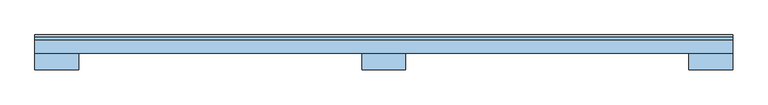
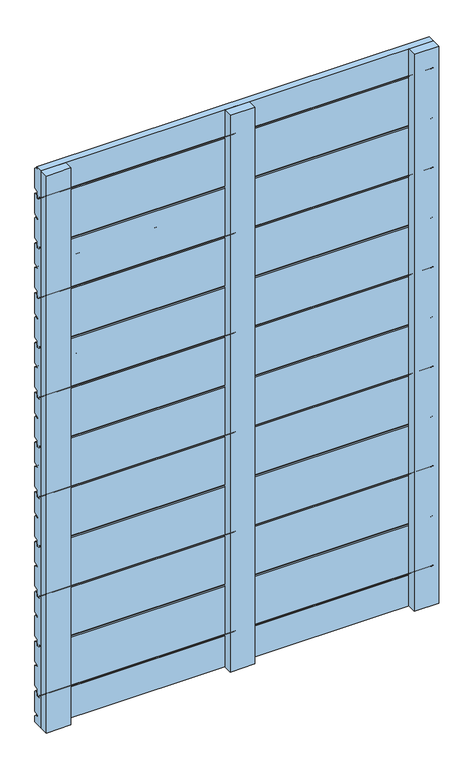
"""IFC4 building model written with IfcOpenShell, lengths in millimetres: window geometry."""

from ifc_helpers import new_model, si_unit, point, frame, frame_2d, origin, place, context, project, spatial, polyline, circle_curve, trimmed, segment, composite_curve, outline, extrude, source, transform, mapped, element, save


def window_a9d90691(model_context):
    return source(origin(), model_context, "Body", "SweptSolid", [
        extrude(outline(composite_curve([segment(trimmed(circle_curve(frame_2d((26.0069561, 1523.0059188)), 2.0068504), [point((24.0001057, 1523.0059188))], [point((26.0069561, 1525.0127692))], False, "CARTESIAN"), True, "CONTINUOUS"), segment(polyline([(26.0069561, 1525.0127692), (29.0001057, 1525.0127692)]), True, "CONTINUOUS"), segment(trimmed(circle_curve(frame_2d((29.0001057, 1523.0127692)), 2.0), [point((29.0001057, 1525.0127692))], [point((31.0001057, 1523.0127692))], False, "CARTESIAN"), True, "CONTINUOUS"), segment(polyline([(31.0001057, 1523.0127692), (31.0001057, 1517.0127692), (39.0001057, 1517.0127692), (39.0001057, 1522.0970543)]), True, "CONTINUOUS"), segment(trimmed(circle_curve(frame_2d((42.0089139, 1522.0024748)), 3.0102944), [point((39.0001057, 1522.0970543))], [point((42.0089139, 1525.0127692))], False, "CARTESIAN"), True, "CONTINUOUS"), segment(polyline([(42.0089139, 1525.0127692), (46.9999996, 1525.0127692)]), True, "CONTINUOUS"), segment(trimmed(circle_curve(frame_2d((46.9999996, 1522.0127692)), 3.0), [point((46.9999996, 1525.0127692))], [point((49.9999996, 1522.0127692))], False, "CARTESIAN"), True, "CONTINUOUS"), segment(polyline([(49.9999996, 1522.0127692), (49.9999996, 1470.3066796)]), True, "CONTINUOUS"), segment(trimmed(circle_curve(frame_2d((46.9999996, 1470.3066796)), 3.0), [point((49.9999996, 1470.3066796))], [point((47.8555837, 1467.4312708))], False, "CARTESIAN"), True, "CONTINUOUS"), segment(polyline([(47.8555837, 1467.4312708), (39.9239208, 1465.3276824)]), True, "CONTINUOUS"), segment(trimmed(circle_curve(frame_2d((40.5001156, 1463.4124802)), 2.0), [point((39.9239208, 1465.3276824))], [point((38.5001156, 1463.4124802))], True, "CARTESIAN"), True, "CONTINUOUS"), segment(polyline([(38.5001156, 1463.4124802), (38.5001158, 1462.0)]), True, "CONTINUOUS"), segment(trimmed(circle_curve(frame_2d((40.5001158, 1462.0)), 2.0), [point((38.5001158, 1462.0))], [point((40.5001158, 1460.0))], True, "CARTESIAN"), True, "CONTINUOUS"), segment(polyline([(40.5001158, 1460.0), (46.968241, 1460.0)]), True, "CONTINUOUS"), segment(trimmed(circle_curve(frame_2d((47.0018221, 1457.000188)), 3.0), [point((46.968241, 1460.0))], [point((50.0, 1457.1047318))], False, "CARTESIAN"), True, "CONTINUOUS"), segment(polyline([(50.0, 1457.1047318), (50.0, 1405.2676097)]), True, "CONTINUOUS"), segment(trimmed(circle_curve(frame_2d((47.0, 1405.2676097)), 3.0), [point((50.0, 1405.2676097))], [point((48.1977807, 1402.5170968))], False, "CARTESIAN"), True, "CONTINUOUS"), segment(polyline([(48.1977807, 1402.5170968), (40.4824676, 1400.4497849)]), True, "CONTINUOUS"), segment(trimmed(circle_curve(frame_2d((41.0001057, 1398.5179332)), 2.0), [point((40.4824676, 1400.4497849))], [point((39.0001057, 1398.5179332))], True, "CARTESIAN"), True, "CONTINUOUS"), segment(polyline([(39.0001057, 1398.5179332), (39.0001057, 1387.0127692)]), True, "CONTINUOUS"), segment(trimmed(circle_curve(frame_2d((37.0001057, 1387.0127692)), 2.0), [point((39.0001057, 1387.0127692))], [point((37.0001057, 1385.0127692))], False, "CARTESIAN"), True, "CONTINUOUS"), segment(polyline([(37.0001057, 1385.0127692), (33.0001057, 1385.0127692)]), True, "CONTINUOUS"), segment(trimmed(circle_curve(frame_2d((33.0001057, 1387.0127692)), 2.0), [point((33.0001057, 1385.0127692))], [point((31.0001057, 1387.0127692))], False, "CARTESIAN"), True, "CONTINUOUS"), segment(polyline([(31.0001057, 1387.0127692), (31.0001057, 1392.0), (26.0001057, 1392.0)]), True, "CONTINUOUS"), segment(trimmed(circle_curve(frame_2d((26.0001057, 1394.0)), 2.0), [point((26.0001057, 1392.0))], [point((24.0001057, 1394.0))], False, "CARTESIAN"), True, "CONTINUOUS"), segment(polyline([(24.0001057, 1394.0), (24.0001057, 1523.0059188)]), True, "CONTINUOUS")], self_intersect=False)), frame((-500.0, 0.0, 0.0), z_axis=(1.0, 0.0, 0.0), x_axis=(0.0, 1.0, 0.0)), (0.0, 0.0, 1.0), 1000.0),
        extrude(outline(composite_curve([segment(trimmed(circle_curve(frame_2d((26.0069561, 1389.0059188)), 2.0068504), [point((24.0001057, 1389.0059188))], [point((26.0069561, 1391.0127692))], False, "CARTESIAN"), True, "CONTINUOUS"), segment(polyline([(26.0069561, 1391.0127692), (29.0001057, 1391.0127692)]), True, "CONTINUOUS"), segment(trimmed(circle_curve(frame_2d((29.0001057, 1389.0127692)), 2.0), [point((29.0001057, 1391.0127692))], [point((31.0001057, 1389.0127692))], False, "CARTESIAN"), True, "CONTINUOUS"), segment(polyline([(31.0001057, 1389.0127692), (31.0001057, 1383.0127692), (39.0001057, 1383.0127692), (39.0001057, 1388.0970543)]), True, "CONTINUOUS"), segment(trimmed(circle_curve(frame_2d((42.0089139, 1388.0024748)), 3.0102944), [point((39.0001057, 1388.0970543))], [point((42.0089139, 1391.0127692))], False, "CARTESIAN"), True, "CONTINUOUS"), segment(polyline([(42.0089139, 1391.0127692), (46.9999996, 1391.0127692)]), True, "CONTINUOUS"), segment(trimmed(circle_curve(frame_2d((46.9999996, 1388.0127692)), 3.0), [point((46.9999996, 1391.0127692))], [point((49.9999996, 1388.0127692))], False, "CARTESIAN"), True, "CONTINUOUS"), segment(polyline([(49.9999996, 1388.0127692), (49.9999996, 1336.3066796)]), True, "CONTINUOUS"), segment(trimmed(circle_curve(frame_2d((46.9999996, 1336.3066796)), 3.0), [point((49.9999996, 1336.3066796))], [point((47.8555837, 1333.4312708))], False, "CARTESIAN"), True, "CONTINUOUS"), segment(polyline([(47.8555837, 1333.4312708), (39.9239208, 1331.3276824)]), True, "CONTINUOUS"), segment(trimmed(circle_curve(frame_2d((40.5001156, 1329.4124802)), 2.0), [point((39.9239208, 1331.3276824))], [point((38.5001156, 1329.4124802))], True, "CARTESIAN"), True, "CONTINUOUS"), segment(polyline([(38.5001156, 1329.4124802), (38.5001158, 1328.0)]), True, "CONTINUOUS"), segment(trimmed(circle_curve(frame_2d((40.5001158, 1328.0)), 2.0), [point((38.5001158, 1328.0))], [point((40.5001158, 1326.0))], True, "CARTESIAN"), True, "CONTINUOUS"), segment(polyline([(40.5001158, 1326.0), (46.968241, 1326.0)]), True, "CONTINUOUS"), segment(trimmed(circle_curve(frame_2d((47.0018221, 1323.000188)), 3.0), [point((46.968241, 1326.0))], [point((50.0, 1323.1047318))], False, "CARTESIAN"), True, "CONTINUOUS"), segment(polyline([(50.0, 1323.1047318), (50.0, 1271.2676097)]), True, "CONTINUOUS"), segment(trimmed(circle_curve(frame_2d((47.0, 1271.2676097)), 3.0), [point((50.0, 1271.2676097))], [point((48.1977807, 1268.5170968))], False, "CARTESIAN"), True, "CONTINUOUS"), segment(polyline([(48.1977807, 1268.5170968), (40.4824676, 1266.4497849)]), True, "CONTINUOUS"), segment(trimmed(circle_curve(frame_2d((41.0001057, 1264.5179332)), 2.0), [point((40.4824676, 1266.4497849))], [point((39.0001057, 1264.5179332))], True, "CARTESIAN"), True, "CONTINUOUS"), segment(polyline([(39.0001057, 1264.5179332), (39.0001057, 1253.0127692)]), True, "CONTINUOUS"), segment(trimmed(circle_curve(frame_2d((37.0001057, 1253.0127692)), 2.0), [point((39.0001057, 1253.0127692))], [point((37.0001057, 1251.0127692))], False, "CARTESIAN"), True, "CONTINUOUS"), segment(polyline([(37.0001057, 1251.0127692), (33.0001057, 1251.0127692)]), True, "CONTINUOUS"), segment(trimmed(circle_curve(frame_2d((33.0001057, 1253.0127692)), 2.0), [point((33.0001057, 1251.0127692))], [point((31.0001057, 1253.0127692))], False, "CARTESIAN"), True, "CONTINUOUS"), segment(polyline([(31.0001057, 1253.0127692), (31.0001057, 1258.0), (26.0001057, 1258.0)]), True, "CONTINUOUS"), segment(trimmed(circle_curve(frame_2d((26.0001057, 1260.0)), 2.0), [point((26.0001057, 1258.0))], [point((24.0001057, 1260.0))], False, "CARTESIAN"), True, "CONTINUOUS"), segment(polyline([(24.0001057, 1260.0), (24.0001057, 1389.0059188)]), True, "CONTINUOUS")], self_intersect=False)), frame((-500.0, 0.0, 0.0), z_axis=(1.0, 0.0, 0.0), x_axis=(0.0, 1.0, 0.0)), (0.0, 0.0, 1.0), 1000.0),
        extrude(outline(composite_curve([segment(trimmed(circle_curve(frame_2d((26.0069561, 1255.0059188)), 2.0068504), [point((24.0001057, 1255.0059188))], [point((26.0069561, 1257.0127692))], False, "CARTESIAN"), True, "CONTINUOUS"), segment(polyline([(26.0069561, 1257.0127692), (29.0001057, 1257.0127692)]), True, "CONTINUOUS"), segment(trimmed(circle_curve(frame_2d((29.0001057, 1255.0127692)), 2.0), [point((29.0001057, 1257.0127692))], [point((31.0001057, 1255.0127692))], False, "CARTESIAN"), True, "CONTINUOUS"), segment(polyline([(31.0001057, 1255.0127692), (31.0001057, 1249.0127692), (39.0001057, 1249.0127692), (39.0001057, 1254.0970543)]), True, "CONTINUOUS"), segment(trimmed(circle_curve(frame_2d((42.0089139, 1254.0024748)), 3.0102944), [point((39.0001057, 1254.0970543))], [point((42.0089139, 1257.0127692))], False, "CARTESIAN"), True, "CONTINUOUS"), segment(polyline([(42.0089139, 1257.0127692), (46.9999996, 1257.0127692)]), True, "CONTINUOUS"), segment(trimmed(circle_curve(frame_2d((46.9999996, 1254.0127692)), 3.0), [point((46.9999996, 1257.0127692))], [point((49.9999996, 1254.0127692))], False, "CARTESIAN"), True, "CONTINUOUS"), segment(polyline([(49.9999996, 1254.0127692), (49.9999996, 1202.3066796)]), True, "CONTINUOUS"), segment(trimmed(circle_curve(frame_2d((46.9999996, 1202.3066796)), 3.0), [point((49.9999996, 1202.3066796))], [point((47.8555837, 1199.4312708))], False, "CARTESIAN"), True, "CONTINUOUS"), segment(polyline([(47.8555837, 1199.4312708), (39.9239208, 1197.3276824)]), True, "CONTINUOUS"), segment(trimmed(circle_curve(frame_2d((40.5001156, 1195.4124802)), 2.0), [point((39.9239208, 1197.3276824))], [point((38.5001156, 1195.4124802))], True, "CARTESIAN"), True, "CONTINUOUS"), segment(polyline([(38.5001156, 1195.4124802), (38.5001158, 1194.0)]), True, "CONTINUOUS"), segment(trimmed(circle_curve(frame_2d((40.5001158, 1194.0)), 2.0), [point((38.5001158, 1194.0))], [point((40.5001158, 1192.0))], True, "CARTESIAN"), True, "CONTINUOUS"), segment(polyline([(40.5001158, 1192.0), (46.968241, 1192.0)]), True, "CONTINUOUS"), segment(trimmed(circle_curve(frame_2d((47.0018221, 1189.000188)), 3.0), [point((46.968241, 1192.0))], [point((50.0, 1189.1047318))], False, "CARTESIAN"), True, "CONTINUOUS"), segment(polyline([(50.0, 1189.1047318), (50.0, 1137.2676097)]), True, "CONTINUOUS"), segment(trimmed(circle_curve(frame_2d((47.0, 1137.2676097)), 3.0), [point((50.0, 1137.2676097))], [point((48.1977807, 1134.5170968))], False, "CARTESIAN"), True, "CONTINUOUS"), segment(polyline([(48.1977807, 1134.5170968), (40.4824676, 1132.4497849)]), True, "CONTINUOUS"), segment(trimmed(circle_curve(frame_2d((41.0001057, 1130.5179332)), 2.0), [point((40.4824676, 1132.4497849))], [point((39.0001057, 1130.5179332))], True, "CARTESIAN"), True, "CONTINUOUS"), segment(polyline([(39.0001057, 1130.5179332), (39.0001057, 1119.0127692)]), True, "CONTINUOUS"), segment(trimmed(circle_curve(frame_2d((37.0001057, 1119.0127692)), 2.0), [point((39.0001057, 1119.0127692))], [point((37.0001057, 1117.0127692))], False, "CARTESIAN"), True, "CONTINUOUS"), segment(polyline([(37.0001057, 1117.0127692), (33.0001057, 1117.0127692)]), True, "CONTINUOUS"), segment(trimmed(circle_curve(frame_2d((33.0001057, 1119.0127692)), 2.0), [point((33.0001057, 1117.0127692))], [point((31.0001057, 1119.0127692))], False, "CARTESIAN"), True, "CONTINUOUS"), segment(polyline([(31.0001057, 1119.0127692), (31.0001057, 1124.0), (26.0001057, 1124.0)]), True, "CONTINUOUS"), segment(trimmed(circle_curve(frame_2d((26.0001057, 1126.0)), 2.0), [point((26.0001057, 1124.0))], [point((24.0001057, 1126.0))], False, "CARTESIAN"), True, "CONTINUOUS"), segment(polyline([(24.0001057, 1126.0), (24.0001057, 1255.0059188)]), True, "CONTINUOUS")], self_intersect=False)), frame((-500.0, 0.0, 0.0), z_axis=(1.0, 0.0, 0.0), x_axis=(0.0, 1.0, 0.0)), (0.0, 0.0, 1.0), 1000.0),
        extrude(outline(composite_curve([segment(trimmed(circle_curve(frame_2d((26.0069561, 1121.0059188)), 2.0068504), [point((24.0001057, 1121.0059188))], [point((26.0069561, 1123.0127692))], False, "CARTESIAN"), True, "CONTINUOUS"), segment(polyline([(26.0069561, 1123.0127692), (29.0001057, 1123.0127692)]), True, "CONTINUOUS"), segment(trimmed(circle_curve(frame_2d((29.0001057, 1121.0127692)), 2.0), [point((29.0001057, 1123.0127692))], [point((31.0001057, 1121.0127692))], False, "CARTESIAN"), True, "CONTINUOUS"), segment(polyline([(31.0001057, 1121.0127692), (31.0001057, 1115.0127692), (39.0001057, 1115.0127692), (39.0001057, 1120.0970543)]), True, "CONTINUOUS"), segment(trimmed(circle_curve(frame_2d((42.0089139, 1120.0024748)), 3.0102944), [point((39.0001057, 1120.0970543))], [point((42.0089139, 1123.0127692))], False, "CARTESIAN"), True, "CONTINUOUS"), segment(polyline([(42.0089139, 1123.0127692), (46.9999996, 1123.0127692)]), True, "CONTINUOUS"), segment(trimmed(circle_curve(frame_2d((46.9999996, 1120.0127692)), 3.0), [point((46.9999996, 1123.0127692))], [point((49.9999996, 1120.0127692))], False, "CARTESIAN"), True, "CONTINUOUS"), segment(polyline([(49.9999996, 1120.0127692), (49.9999996, 1068.3066796)]), True, "CONTINUOUS"), segment(trimmed(circle_curve(frame_2d((46.9999996, 1068.3066796)), 3.0), [point((49.9999996, 1068.3066796))], [point((47.8555837, 1065.4312708))], False, "CARTESIAN"), True, "CONTINUOUS"), segment(polyline([(47.8555837, 1065.4312708), (39.9239208, 1063.3276824)]), True, "CONTINUOUS"), segment(trimmed(circle_curve(frame_2d((40.5001156, 1061.4124802)), 2.0), [point((39.9239208, 1063.3276824))], [point((38.5001156, 1061.4124802))], True, "CARTESIAN"), True, "CONTINUOUS"), segment(polyline([(38.5001156, 1061.4124802), (38.5001158, 1060.0)]), True, "CONTINUOUS"), segment(trimmed(circle_curve(frame_2d((40.5001158, 1060.0)), 2.0), [point((38.5001158, 1060.0))], [point((40.5001158, 1058.0))], True, "CARTESIAN"), True, "CONTINUOUS"), segment(polyline([(40.5001158, 1058.0), (46.968241, 1058.0)]), True, "CONTINUOUS"), segment(trimmed(circle_curve(frame_2d((47.0018221, 1055.000188)), 3.0), [point((46.968241, 1058.0))], [point((50.0, 1055.1047318))], False, "CARTESIAN"), True, "CONTINUOUS"), segment(polyline([(50.0, 1055.1047318), (50.0, 1003.2676097)]), True, "CONTINUOUS"), segment(trimmed(circle_curve(frame_2d((47.0, 1003.2676097)), 3.0), [point((50.0, 1003.2676097))], [point((48.1977807, 1000.5170968))], False, "CARTESIAN"), True, "CONTINUOUS"), segment(polyline([(48.1977807, 1000.5170968), (40.4824676, 998.4497849)]), True, "CONTINUOUS"), segment(trimmed(circle_curve(frame_2d((41.0001057, 996.5179332)), 2.0), [point((40.4824676, 998.4497849))], [point((39.0001057, 996.5179332))], True, "CARTESIAN"), True, "CONTINUOUS"), segment(polyline([(39.0001057, 996.5179332), (39.0001057, 985.0127692)]), True, "CONTINUOUS"), segment(trimmed(circle_curve(frame_2d((37.0001057, 985.0127692)), 2.0), [point((39.0001057, 985.0127692))], [point((37.0001057, 983.0127692))], False, "CARTESIAN"), True, "CONTINUOUS"), segment(polyline([(37.0001057, 983.0127692), (33.0001057, 983.0127692)]), True, "CONTINUOUS"), segment(trimmed(circle_curve(frame_2d((33.0001057, 985.0127692)), 2.0), [point((33.0001057, 983.0127692))], [point((31.0001057, 985.0127692))], False, "CARTESIAN"), True, "CONTINUOUS"), segment(polyline([(31.0001057, 985.0127692), (31.0001057, 990.0), (26.0001057, 990.0)]), True, "CONTINUOUS"), segment(trimmed(circle_curve(frame_2d((26.0001057, 992.0)), 2.0), [point((26.0001057, 990.0))], [point((24.0001057, 992.0))], False, "CARTESIAN"), True, "CONTINUOUS"), segment(polyline([(24.0001057, 992.0), (24.0001057, 1121.0059188)]), True, "CONTINUOUS")], self_intersect=False)), frame((-500.0, 0.0, 0.0), z_axis=(1.0, 0.0, 0.0), x_axis=(0.0, 1.0, 0.0)), (0.0, 0.0, 1.0), 1000.0),
        extrude(outline(composite_curve([segment(trimmed(circle_curve(frame_2d((26.0069561, 987.0059188)), 2.0068504), [point((24.0001057, 987.0059188))], [point((26.0069561, 989.0127692))], False, "CARTESIAN"), True, "CONTINUOUS"), segment(polyline([(26.0069561, 989.0127692), (29.0001057, 989.0127692)]), True, "CONTINUOUS"), segment(trimmed(circle_curve(frame_2d((29.0001057, 987.0127692)), 2.0), [point((29.0001057, 989.0127692))], [point((31.0001057, 987.0127692))], False, "CARTESIAN"), True, "CONTINUOUS"), segment(polyline([(31.0001057, 987.0127692), (31.0001057, 981.0127692), (39.0001057, 981.0127692), (39.0001057, 986.0970543)]), True, "CONTINUOUS"), segment(trimmed(circle_curve(frame_2d((42.0089139, 986.0024748)), 3.0102944), [point((39.0001057, 986.0970543))], [point((42.0089139, 989.0127692))], False, "CARTESIAN"), True, "CONTINUOUS"), segment(polyline([(42.0089139, 989.0127692), (46.9999996, 989.0127692)]), True, "CONTINUOUS"), segment(trimmed(circle_curve(frame_2d((46.9999996, 986.0127692)), 3.0), [point((46.9999996, 989.0127692))], [point((49.9999996, 986.0127692))], False, "CARTESIAN"), True, "CONTINUOUS"), segment(polyline([(49.9999996, 986.0127692), (49.9999996, 934.3066796)]), True, "CONTINUOUS"), segment(trimmed(circle_curve(frame_2d((46.9999996, 934.3066796)), 3.0), [point((49.9999996, 934.3066796))], [point((47.8555837, 931.4312708))], False, "CARTESIAN"), True, "CONTINUOUS"), segment(polyline([(47.8555837, 931.4312708), (39.9239208, 929.3276824)]), True, "CONTINUOUS"), segment(trimmed(circle_curve(frame_2d((40.5001156, 927.4124802)), 2.0), [point((39.9239208, 929.3276824))], [point((38.5001156, 927.4124802))], True, "CARTESIAN"), True, "CONTINUOUS"), segment(polyline([(38.5001156, 927.4124802), (38.5001158, 926.0)]), True, "CONTINUOUS"), segment(trimmed(circle_curve(frame_2d((40.5001158, 926.0)), 2.0), [point((38.5001158, 926.0))], [point((40.5001158, 924.0))], True, "CARTESIAN"), True, "CONTINUOUS"), segment(polyline([(40.5001158, 924.0), (46.968241, 924.0)]), True, "CONTINUOUS"), segment(trimmed(circle_curve(frame_2d((47.0018221, 921.000188)), 3.0), [point((46.968241, 924.0))], [point((50.0, 921.1047318))], False, "CARTESIAN"), True, "CONTINUOUS"), segment(polyline([(50.0, 921.1047318), (50.0, 869.2676097)]), True, "CONTINUOUS"), segment(trimmed(circle_curve(frame_2d((47.0, 869.2676097)), 3.0), [point((50.0, 869.2676097))], [point((48.1977807, 866.5170968))], False, "CARTESIAN"), True, "CONTINUOUS"), segment(polyline([(48.1977807, 866.5170968), (40.4824676, 864.4497849)]), True, "CONTINUOUS"), segment(trimmed(circle_curve(frame_2d((41.0001057, 862.5179332)), 2.0), [point((40.4824676, 864.4497849))], [point((39.0001057, 862.5179332))], True, "CARTESIAN"), True, "CONTINUOUS"), segment(polyline([(39.0001057, 862.5179332), (39.0001057, 851.0127692)]), True, "CONTINUOUS"), segment(trimmed(circle_curve(frame_2d((37.0001057, 851.0127692)), 2.0), [point((39.0001057, 851.0127692))], [point((37.0001057, 849.0127692))], False, "CARTESIAN"), True, "CONTINUOUS"), segment(polyline([(37.0001057, 849.0127692), (33.0001057, 849.0127692)]), True, "CONTINUOUS"), segment(trimmed(circle_curve(frame_2d((33.0001057, 851.0127692)), 2.0), [point((33.0001057, 849.0127692))], [point((31.0001057, 851.0127692))], False, "CARTESIAN"), True, "CONTINUOUS"), segment(polyline([(31.0001057, 851.0127692), (31.0001057, 856.0), (26.0001057, 856.0)]), True, "CONTINUOUS"), segment(trimmed(circle_curve(frame_2d((26.0001057, 858.0)), 2.0), [point((26.0001057, 856.0))], [point((24.0001057, 858.0))], False, "CARTESIAN"), True, "CONTINUOUS"), segment(polyline([(24.0001057, 858.0), (24.0001057, 987.0059188)]), True, "CONTINUOUS")], self_intersect=False)), frame((-500.0, 0.0, 0.0), z_axis=(1.0, 0.0, 0.0), x_axis=(0.0, 1.0, 0.0)), (0.0, 0.0, 1.0), 1000.0),
        extrude(outline(composite_curve([segment(trimmed(circle_curve(frame_2d((26.0069561, 853.0059188)), 2.0068504), [point((24.0001057, 853.0059188))], [point((26.0069561, 855.0127692))], False, "CARTESIAN"), True, "CONTINUOUS"), segment(polyline([(26.0069561, 855.0127692), (29.0001057, 855.0127692)]), True, "CONTINUOUS"), segment(trimmed(circle_curve(frame_2d((29.0001057, 853.0127692)), 2.0), [point((29.0001057, 855.0127692))], [point((31.0001057, 853.0127692))], False, "CARTESIAN"), True, "CONTINUOUS"), segment(polyline([(31.0001057, 853.0127692), (31.0001057, 847.0127692), (39.0001057, 847.0127692), (39.0001057, 852.0970543)]), True, "CONTINUOUS"), segment(trimmed(circle_curve(frame_2d((42.0089139, 852.0024748)), 3.0102944), [point((39.0001057, 852.0970543))], [point((42.0089139, 855.0127692))], False, "CARTESIAN"), True, "CONTINUOUS"), segment(polyline([(42.0089139, 855.0127692), (46.9999996, 855.0127692)]), True, "CONTINUOUS"), segment(trimmed(circle_curve(frame_2d((46.9999996, 852.0127692)), 3.0), [point((46.9999996, 855.0127692))], [point((49.9999996, 852.0127692))], False, "CARTESIAN"), True, "CONTINUOUS"), segment(polyline([(49.9999996, 852.0127692), (49.9999996, 800.3066796)]), True, "CONTINUOUS"), segment(trimmed(circle_curve(frame_2d((46.9999996, 800.3066796)), 3.0), [point((49.9999996, 800.3066796))], [point((47.8555837, 797.4312708))], False, "CARTESIAN"), True, "CONTINUOUS"), segment(polyline([(47.8555837, 797.4312708), (39.9239208, 795.3276824)]), True, "CONTINUOUS"), segment(trimmed(circle_curve(frame_2d((40.5001156, 793.4124802)), 2.0), [point((39.9239208, 795.3276824))], [point((38.5001156, 793.4124802))], True, "CARTESIAN"), True, "CONTINUOUS"), segment(polyline([(38.5001156, 793.4124802), (38.5001158, 792.0)]), True, "CONTINUOUS"), segment(trimmed(circle_curve(frame_2d((40.5001158, 792.0)), 2.0), [point((38.5001158, 792.0))], [point((40.5001158, 790.0))], True, "CARTESIAN"), True, "CONTINUOUS"), segment(polyline([(40.5001158, 790.0), (46.968241, 790.0)]), True, "CONTINUOUS"), segment(trimmed(circle_curve(frame_2d((47.0018221, 787.000188)), 3.0), [point((46.968241, 790.0))], [point((50.0, 787.1047318))], False, "CARTESIAN"), True, "CONTINUOUS"), segment(polyline([(50.0, 787.1047318), (50.0, 735.2676097)]), True, "CONTINUOUS"), segment(trimmed(circle_curve(frame_2d((47.0, 735.2676097)), 3.0), [point((50.0, 735.2676097))], [point((48.1977807, 732.5170968))], False, "CARTESIAN"), True, "CONTINUOUS"), segment(polyline([(48.1977807, 732.5170968), (40.4824676, 730.4497849)]), True, "CONTINUOUS"), segment(trimmed(circle_curve(frame_2d((41.0001057, 728.5179332)), 2.0), [point((40.4824676, 730.4497849))], [point((39.0001057, 728.5179332))], True, "CARTESIAN"), True, "CONTINUOUS"), segment(polyline([(39.0001057, 728.5179332), (39.0001057, 717.0127692)]), True, "CONTINUOUS"), segment(trimmed(circle_curve(frame_2d((37.0001057, 717.0127692)), 2.0), [point((39.0001057, 717.0127692))], [point((37.0001057, 715.0127692))], False, "CARTESIAN"), True, "CONTINUOUS"), segment(polyline([(37.0001057, 715.0127692), (33.0001057, 715.0127692)]), True, "CONTINUOUS"), segment(trimmed(circle_curve(frame_2d((33.0001057, 717.0127692)), 2.0), [point((33.0001057, 715.0127692))], [point((31.0001057, 717.0127692))], False, "CARTESIAN"), True, "CONTINUOUS"), segment(polyline([(31.0001057, 717.0127692), (31.0001057, 722.0), (26.0001057, 722.0)]), True, "CONTINUOUS"), segment(trimmed(circle_curve(frame_2d((26.0001057, 724.0)), 2.0), [point((26.0001057, 722.0))], [point((24.0001057, 724.0))], False, "CARTESIAN"), True, "CONTINUOUS"), segment(polyline([(24.0001057, 724.0), (24.0001057, 853.0059188)]), True, "CONTINUOUS")], self_intersect=False)), frame((-500.0, 0.0, 0.0), z_axis=(1.0, 0.0, 0.0), x_axis=(0.0, 1.0, 0.0)), (0.0, 0.0, 1.0), 1000.0),
        extrude(outline(composite_curve([segment(trimmed(circle_curve(frame_2d((26.0069561, 719.0059188)), 2.0068504), [point((24.0001057, 719.0059188))], [point((26.0069561, 721.0127692))], False, "CARTESIAN"), True, "CONTINUOUS"), segment(polyline([(26.0069561, 721.0127692), (29.0001057, 721.0127692)]), True, "CONTINUOUS"), segment(trimmed(circle_curve(frame_2d((29.0001057, 719.0127692)), 2.0), [point((29.0001057, 721.0127692))], [point((31.0001057, 719.0127692))], False, "CARTESIAN"), True, "CONTINUOUS"), segment(polyline([(31.0001057, 719.0127692), (31.0001057, 713.0127692), (39.0001057, 713.0127692), (39.0001057, 718.0970543)]), True, "CONTINUOUS"), segment(trimmed(circle_curve(frame_2d((42.0089139, 718.0024748)), 3.0102944), [point((39.0001057, 718.0970543))], [point((42.0089139, 721.0127692))], False, "CARTESIAN"), True, "CONTINUOUS"), segment(polyline([(42.0089139, 721.0127692), (46.9999996, 721.0127692)]), True, "CONTINUOUS"), segment(trimmed(circle_curve(frame_2d((46.9999996, 718.0127692)), 3.0), [point((46.9999996, 721.0127692))], [point((49.9999996, 718.0127692))], False, "CARTESIAN"), True, "CONTINUOUS"), segment(polyline([(49.9999996, 718.0127692), (49.9999996, 666.3066796)]), True, "CONTINUOUS"), segment(trimmed(circle_curve(frame_2d((46.9999996, 666.3066796)), 3.0), [point((49.9999996, 666.3066796))], [point((47.8555837, 663.4312708))], False, "CARTESIAN"), True, "CONTINUOUS"), segment(polyline([(47.8555837, 663.4312708), (39.9239208, 661.3276824)]), True, "CONTINUOUS"), segment(trimmed(circle_curve(frame_2d((40.5001156, 659.4124802)), 2.0), [point((39.9239208, 661.3276824))], [point((38.5001156, 659.4124802))], True, "CARTESIAN"), True, "CONTINUOUS"), segment(polyline([(38.5001156, 659.4124802), (38.5001158, 658.0)]), True, "CONTINUOUS"), segment(trimmed(circle_curve(frame_2d((40.5001158, 658.0)), 2.0), [point((38.5001158, 658.0))], [point((40.5001158, 656.0))], True, "CARTESIAN"), True, "CONTINUOUS"), segment(polyline([(40.5001158, 656.0), (46.968241, 656.0)]), True, "CONTINUOUS"), segment(trimmed(circle_curve(frame_2d((47.0018221, 653.000188)), 3.0), [point((46.968241, 656.0))], [point((50.0, 653.1047318))], False, "CARTESIAN"), True, "CONTINUOUS"), segment(polyline([(50.0, 653.1047318), (50.0, 601.2676097)]), True, "CONTINUOUS"), segment(trimmed(circle_curve(frame_2d((47.0, 601.2676097)), 3.0), [point((50.0, 601.2676097))], [point((48.1977807, 598.5170968))], False, "CARTESIAN"), True, "CONTINUOUS"), segment(polyline([(48.1977807, 598.5170968), (40.4824676, 596.4497849)]), True, "CONTINUOUS"), segment(trimmed(circle_curve(frame_2d((41.0001057, 594.5179332)), 2.0), [point((40.4824676, 596.4497849))], [point((39.0001057, 594.5179332))], True, "CARTESIAN"), True, "CONTINUOUS"), segment(polyline([(39.0001057, 594.5179332), (39.0001057, 583.0127692)]), True, "CONTINUOUS"), segment(trimmed(circle_curve(frame_2d((37.0001057, 583.0127692)), 2.0), [point((39.0001057, 583.0127692))], [point((37.0001057, 581.0127692))], False, "CARTESIAN"), True, "CONTINUOUS"), segment(polyline([(37.0001057, 581.0127692), (33.0001057, 581.0127692)]), True, "CONTINUOUS"), segment(trimmed(circle_curve(frame_2d((33.0001057, 583.0127692)), 2.0), [point((33.0001057, 581.0127692))], [point((31.0001057, 583.0127692))], False, "CARTESIAN"), True, "CONTINUOUS"), segment(polyline([(31.0001057, 583.0127692), (31.0001057, 588.0), (26.0001057, 588.0)]), True, "CONTINUOUS"), segment(trimmed(circle_curve(frame_2d((26.0001057, 590.0)), 2.0), [point((26.0001057, 588.0))], [point((24.0001057, 590.0))], False, "CARTESIAN"), True, "CONTINUOUS"), segment(polyline([(24.0001057, 590.0), (24.0001057, 719.0059188)]), True, "CONTINUOUS")], self_intersect=False)), frame((-500.0, 0.0, 0.0), z_axis=(1.0, 0.0, 0.0), x_axis=(0.0, 1.0, 0.0)), (0.0, 0.0, 1.0), 1000.0),
        extrude(outline(composite_curve([segment(trimmed(circle_curve(frame_2d((26.0069561, 585.0059188)), 2.0068504), [point((24.0001057, 585.0059188))], [point((26.0069561, 587.0127692))], False, "CARTESIAN"), True, "CONTINUOUS"), segment(polyline([(26.0069561, 587.0127692), (29.0001057, 587.0127692)]), True, "CONTINUOUS"), segment(trimmed(circle_curve(frame_2d((29.0001057, 585.0127692)), 2.0), [point((29.0001057, 587.0127692))], [point((31.0001057, 585.0127692))], False, "CARTESIAN"), True, "CONTINUOUS"), segment(polyline([(31.0001057, 585.0127692), (31.0001057, 579.0127692), (39.0001057, 579.0127692), (39.0001057, 584.0970543)]), True, "CONTINUOUS"), segment(trimmed(circle_curve(frame_2d((42.0089139, 584.0024748)), 3.0102944), [point((39.0001057, 584.0970543))], [point((42.0089139, 587.0127692))], False, "CARTESIAN"), True, "CONTINUOUS"), segment(polyline([(42.0089139, 587.0127692), (46.9999996, 587.0127692)]), True, "CONTINUOUS"), segment(trimmed(circle_curve(frame_2d((46.9999996, 584.0127692)), 3.0), [point((46.9999996, 587.0127692))], [point((49.9999996, 584.0127692))], False, "CARTESIAN"), True, "CONTINUOUS"), segment(polyline([(49.9999996, 584.0127692), (49.9999996, 532.3066796)]), True, "CONTINUOUS"), segment(trimmed(circle_curve(frame_2d((46.9999996, 532.3066796)), 3.0), [point((49.9999996, 532.3066796))], [point((47.8555837, 529.4312708))], False, "CARTESIAN"), True, "CONTINUOUS"), segment(polyline([(47.8555837, 529.4312708), (39.9239208, 527.3276824)]), True, "CONTINUOUS"), segment(trimmed(circle_curve(frame_2d((40.5001156, 525.4124802)), 2.0), [point((39.9239208, 527.3276824))], [point((38.5001156, 525.4124802))], True, "CARTESIAN"), True, "CONTINUOUS"), segment(polyline([(38.5001156, 525.4124802), (38.5001158, 524.0)]), True, "CONTINUOUS"), segment(trimmed(circle_curve(frame_2d((40.5001158, 524.0)), 2.0), [point((38.5001158, 524.0))], [point((40.5001158, 522.0))], True, "CARTESIAN"), True, "CONTINUOUS"), segment(polyline([(40.5001158, 522.0), (46.968241, 522.0)]), True, "CONTINUOUS"), segment(trimmed(circle_curve(frame_2d((47.0018221, 519.000188)), 3.0), [point((46.968241, 522.0))], [point((50.0, 519.1047318))], False, "CARTESIAN"), True, "CONTINUOUS"), segment(polyline([(50.0, 519.1047318), (50.0, 467.2676097)]), True, "CONTINUOUS"), segment(trimmed(circle_curve(frame_2d((47.0, 467.2676097)), 3.0), [point((50.0, 467.2676097))], [point((48.1977807, 464.5170968))], False, "CARTESIAN"), True, "CONTINUOUS"), segment(polyline([(48.1977807, 464.5170968), (40.4824676, 462.4497849)]), True, "CONTINUOUS"), segment(trimmed(circle_curve(frame_2d((41.0001057, 460.5179332)), 2.0), [point((40.4824676, 462.4497849))], [point((39.0001057, 460.5179332))], True, "CARTESIAN"), True, "CONTINUOUS"), segment(polyline([(39.0001057, 460.5179332), (39.0001057, 449.0127692)]), True, "CONTINUOUS"), segment(trimmed(circle_curve(frame_2d((37.0001057, 449.0127692)), 2.0), [point((39.0001057, 449.0127692))], [point((37.0001057, 447.0127692))], False, "CARTESIAN"), True, "CONTINUOUS"), segment(polyline([(37.0001057, 447.0127692), (33.0001057, 447.0127692)]), True, "CONTINUOUS"), segment(trimmed(circle_curve(frame_2d((33.0001057, 449.0127692)), 2.0), [point((33.0001057, 447.0127692))], [point((31.0001057, 449.0127692))], False, "CARTESIAN"), True, "CONTINUOUS"), segment(polyline([(31.0001057, 449.0127692), (31.0001057, 454.0), (26.0001057, 454.0)]), True, "CONTINUOUS"), segment(trimmed(circle_curve(frame_2d((26.0001057, 456.0)), 2.0), [point((26.0001057, 454.0))], [point((24.0001057, 456.0))], False, "CARTESIAN"), True, "CONTINUOUS"), segment(polyline([(24.0001057, 456.0), (24.0001057, 585.0059188)]), True, "CONTINUOUS")], self_intersect=False)), frame((-500.0, 0.0, 0.0), z_axis=(1.0, 0.0, 0.0), x_axis=(0.0, 1.0, 0.0)), (0.0, 0.0, 1.0), 1000.0),
        extrude(outline(composite_curve([segment(trimmed(circle_curve(frame_2d((26.0069561, 451.0059188)), 2.0068504), [point((24.0001057, 451.0059188))], [point((26.0069561, 453.0127692))], False, "CARTESIAN"), True, "CONTINUOUS"), segment(polyline([(26.0069561, 453.0127692), (29.0001057, 453.0127692)]), True, "CONTINUOUS"), segment(trimmed(circle_curve(frame_2d((29.0001057, 451.0127692)), 2.0), [point((29.0001057, 453.0127692))], [point((31.0001057, 451.0127692))], False, "CARTESIAN"), True, "CONTINUOUS"), segment(polyline([(31.0001057, 451.0127692), (31.0001057, 445.0127692), (39.0001057, 445.0127692), (39.0001057, 450.0970543)]), True, "CONTINUOUS"), segment(trimmed(circle_curve(frame_2d((42.0089139, 450.0024748)), 3.0102944), [point((39.0001057, 450.0970543))], [point((42.0089139, 453.0127692))], False, "CARTESIAN"), True, "CONTINUOUS"), segment(polyline([(42.0089139, 453.0127692), (46.9999996, 453.0127692)]), True, "CONTINUOUS"), segment(trimmed(circle_curve(frame_2d((46.9999996, 450.0127692)), 3.0), [point((46.9999996, 453.0127692))], [point((49.9999996, 450.0127692))], False, "CARTESIAN"), True, "CONTINUOUS"), segment(polyline([(49.9999996, 450.0127692), (49.9999996, 398.3066796)]), True, "CONTINUOUS"), segment(trimmed(circle_curve(frame_2d((46.9999996, 398.3066796)), 3.0), [point((49.9999996, 398.3066796))], [point((47.8555837, 395.4312708))], False, "CARTESIAN"), True, "CONTINUOUS"), segment(polyline([(47.8555837, 395.4312708), (39.9239208, 393.3276824)]), True, "CONTINUOUS"), segment(trimmed(circle_curve(frame_2d((40.5001156, 391.4124802)), 2.0), [point((39.9239208, 393.3276824))], [point((38.5001156, 391.4124802))], True, "CARTESIAN"), True, "CONTINUOUS"), segment(polyline([(38.5001156, 391.4124802), (38.5001158, 390.0)]), True, "CONTINUOUS"), segment(trimmed(circle_curve(frame_2d((40.5001158, 390.0)), 2.0), [point((38.5001158, 390.0))], [point((40.5001158, 388.0))], True, "CARTESIAN"), True, "CONTINUOUS"), segment(polyline([(40.5001158, 388.0), (46.968241, 388.0)]), True, "CONTINUOUS"), segment(trimmed(circle_curve(frame_2d((47.0018221, 385.000188)), 3.0), [point((46.968241, 388.0))], [point((50.0, 385.1047318))], False, "CARTESIAN"), True, "CONTINUOUS"), segment(polyline([(50.0, 385.1047318), (50.0, 333.2676097)]), True, "CONTINUOUS"), segment(trimmed(circle_curve(frame_2d((47.0, 333.2676097)), 3.0), [point((50.0, 333.2676097))], [point((48.1977807, 330.5170968))], False, "CARTESIAN"), True, "CONTINUOUS"), segment(polyline([(48.1977807, 330.5170968), (40.4824676, 328.4497849)]), True, "CONTINUOUS"), segment(trimmed(circle_curve(frame_2d((41.0001057, 326.5179332)), 2.0), [point((40.4824676, 328.4497849))], [point((39.0001057, 326.5179332))], True, "CARTESIAN"), True, "CONTINUOUS"), segment(polyline([(39.0001057, 326.5179332), (39.0001057, 315.0127692)]), True, "CONTINUOUS"), segment(trimmed(circle_curve(frame_2d((37.0001057, 315.0127692)), 2.0), [point((39.0001057, 315.0127692))], [point((37.0001057, 313.0127692))], False, "CARTESIAN"), True, "CONTINUOUS"), segment(polyline([(37.0001057, 313.0127692), (33.0001057, 313.0127692)]), True, "CONTINUOUS"), segment(trimmed(circle_curve(frame_2d((33.0001057, 315.0127692)), 2.0), [point((33.0001057, 313.0127692))], [point((31.0001057, 315.0127692))], False, "CARTESIAN"), True, "CONTINUOUS"), segment(polyline([(31.0001057, 315.0127692), (31.0001057, 320.0), (26.0001057, 320.0)]), True, "CONTINUOUS"), segment(trimmed(circle_curve(frame_2d((26.0001057, 322.0)), 2.0), [point((26.0001057, 320.0))], [point((24.0001057, 322.0))], False, "CARTESIAN"), True, "CONTINUOUS"), segment(polyline([(24.0001057, 322.0), (24.0001057, 451.0059188)]), True, "CONTINUOUS")], self_intersect=False)), frame((-500.0, 0.0, 0.0), z_axis=(1.0, 0.0, 0.0), x_axis=(0.0, 1.0, 0.0)), (0.0, 0.0, 1.0), 1000.0),
        extrude(outline(composite_curve([segment(trimmed(circle_curve(frame_2d((26.0069561, 317.0059188)), 2.0068504), [point((24.0001057, 317.0059188))], [point((26.0069561, 319.0127692))], False, "CARTESIAN"), True, "CONTINUOUS"), segment(polyline([(26.0069561, 319.0127692), (29.0001057, 319.0127692)]), True, "CONTINUOUS"), segment(trimmed(circle_curve(frame_2d((29.0001057, 317.0127692)), 2.0), [point((29.0001057, 319.0127692))], [point((31.0001057, 317.0127692))], False, "CARTESIAN"), True, "CONTINUOUS"), segment(polyline([(31.0001057, 317.0127692), (31.0001057, 311.0127692), (39.0001057, 311.0127692), (39.0001057, 316.0970543)]), True, "CONTINUOUS"), segment(trimmed(circle_curve(frame_2d((42.0089139, 316.0024748)), 3.0102944), [point((39.0001057, 316.0970543))], [point((42.0089139, 319.0127692))], False, "CARTESIAN"), True, "CONTINUOUS"), segment(polyline([(42.0089139, 319.0127692), (46.9999996, 319.0127692)]), True, "CONTINUOUS"), segment(trimmed(circle_curve(frame_2d((46.9999996, 316.0127692)), 3.0), [point((46.9999996, 319.0127692))], [point((49.9999996, 316.0127692))], False, "CARTESIAN"), True, "CONTINUOUS"), segment(polyline([(49.9999996, 316.0127692), (49.9999996, 264.3066796)]), True, "CONTINUOUS"), segment(trimmed(circle_curve(frame_2d((46.9999996, 264.3066796)), 3.0), [point((49.9999996, 264.3066796))], [point((47.8555837, 261.4312708))], False, "CARTESIAN"), True, "CONTINUOUS"), segment(polyline([(47.8555837, 261.4312708), (39.9239208, 259.3276824)]), True, "CONTINUOUS"), segment(trimmed(circle_curve(frame_2d((40.5001156, 257.4124802)), 2.0), [point((39.9239208, 259.3276824))], [point((38.5001156, 257.4124802))], True, "CARTESIAN"), True, "CONTINUOUS"), segment(polyline([(38.5001156, 257.4124802), (38.5001158, 256.0)]), True, "CONTINUOUS"), segment(trimmed(circle_curve(frame_2d((40.5001158, 256.0)), 2.0), [point((38.5001158, 256.0))], [point((40.5001158, 254.0))], True, "CARTESIAN"), True, "CONTINUOUS"), segment(polyline([(40.5001158, 254.0), (46.968241, 254.0)]), True, "CONTINUOUS"), segment(trimmed(circle_curve(frame_2d((47.0018221, 251.000188)), 3.0), [point((46.968241, 254.0))], [point((50.0, 251.1047318))], False, "CARTESIAN"), True, "CONTINUOUS"), segment(polyline([(50.0, 251.1047318), (50.0, 199.2676097)]), True, "CONTINUOUS"), segment(trimmed(circle_curve(frame_2d((47.0, 199.2676097)), 3.0), [point((50.0, 199.2676097))], [point((48.1977807, 196.5170968))], False, "CARTESIAN"), True, "CONTINUOUS"), segment(polyline([(48.1977807, 196.5170968), (40.4824676, 194.4497849)]), True, "CONTINUOUS"), segment(trimmed(circle_curve(frame_2d((41.0001057, 192.5179332)), 2.0), [point((40.4824676, 194.4497849))], [point((39.0001057, 192.5179332))], True, "CARTESIAN"), True, "CONTINUOUS"), segment(polyline([(39.0001057, 192.5179332), (39.0001057, 181.0127692)]), True, "CONTINUOUS"), segment(trimmed(circle_curve(frame_2d((37.0001057, 181.0127692)), 2.0), [point((39.0001057, 181.0127692))], [point((37.0001057, 179.0127692))], False, "CARTESIAN"), True, "CONTINUOUS"), segment(polyline([(37.0001057, 179.0127692), (33.0001057, 179.0127692)]), True, "CONTINUOUS"), segment(trimmed(circle_curve(frame_2d((33.0001057, 181.0127692)), 2.0), [point((33.0001057, 179.0127692))], [point((31.0001057, 181.0127692))], False, "CARTESIAN"), True, "CONTINUOUS"), segment(polyline([(31.0001057, 181.0127692), (31.0001057, 186.0), (26.0001057, 186.0)]), True, "CONTINUOUS"), segment(trimmed(circle_curve(frame_2d((26.0001057, 188.0)), 2.0), [point((26.0001057, 186.0))], [point((24.0001057, 188.0))], False, "CARTESIAN"), True, "CONTINUOUS"), segment(polyline([(24.0001057, 188.0), (24.0001057, 317.0059188)]), True, "CONTINUOUS")], self_intersect=False)), frame((-500.0, 0.0, 0.0), z_axis=(1.0, 0.0, 0.0), x_axis=(0.0, 1.0, 0.0)), (0.0, 0.0, 1.0), 1000.0),
        extrude(outline(composite_curve([segment(trimmed(circle_curve(frame_2d((47.0, 1539.2548405)), 3.0), [point((50.0, 1539.2548405))], [point((48.1977807, 1536.5043275))], False, "CARTESIAN"), True, "CONTINUOUS"), segment(polyline([(48.1977807, 1536.5043275), (40.4824676, 1534.4370156)]), True, "CONTINUOUS"), segment(trimmed(circle_curve(frame_2d((41.0001057, 1532.505164)), 2.0), [point((40.4824676, 1534.4370156))], [point((39.0001057, 1532.505164))], True, "CARTESIAN"), True, "CONTINUOUS"), segment(polyline([(39.0001057, 1532.505164), (39.0001057, 1521.0)]), True, "CONTINUOUS"), segment(trimmed(circle_curve(frame_2d((37.0001057, 1521.0)), 2.0), [point((39.0001057, 1521.0))], [point((37.0001057, 1519.0))], False, "CARTESIAN"), True, "CONTINUOUS"), segment(polyline([(37.0001057, 1519.0), (33.0001057, 1519.0)]), True, "CONTINUOUS"), segment(trimmed(circle_curve(frame_2d((33.0001057, 1521.0)), 2.0), [point((33.0001057, 1519.0))], [point((31.0001057, 1521.0))], False, "CARTESIAN"), True, "CONTINUOUS"), segment(polyline([(31.0001057, 1521.0), (31.0001057, 1525.9872308), (26.0001057, 1525.9872308)]), True, "CONTINUOUS"), segment(trimmed(circle_curve(frame_2d((26.0001057, 1527.9872308)), 2.0), [point((26.0001057, 1525.9872308))], [point((24.0001057, 1527.9872308))], False, "CARTESIAN"), True, "CONTINUOUS"), segment(polyline([(24.0001057, 1527.9872308), (24.0001057, 1600.0), (42.5070678, 1600.0), (39.9239208, 1599.3149131)]), True, "CONTINUOUS"), segment(trimmed(circle_curve(frame_2d((40.5001156, 1597.3997109)), 2.0), [point((39.9239208, 1599.3149131))], [point((38.5001156, 1597.3997109))], True, "CARTESIAN"), True, "CONTINUOUS"), segment(polyline([(38.5001156, 1597.3997109), (38.5001158, 1595.9872308)]), True, "CONTINUOUS"), segment(trimmed(circle_curve(frame_2d((40.5001158, 1595.9872308)), 2.0), [point((38.5001158, 1595.9872308))], [point((40.5001158, 1593.9872308))], True, "CARTESIAN"), True, "CONTINUOUS"), segment(polyline([(40.5001158, 1593.9872308), (47.1047318, 1593.9872308), (50.0, 1591.0919626), (50.0, 1539.2548405)]), True, "CONTINUOUS")], self_intersect=False)), frame((-500.0, 0.0, 0.0), z_axis=(1.0, 0.0, 0.0), x_axis=(0.0, 1.0, 0.0)), (0.0, 0.0, 1.0), 1000.0),
        extrude(outline(composite_curve([segment(trimmed(circle_curve(frame_2d((26.0069565, 182.9931496)), 2.0068504), [point((24.0001061, 182.9931496))], [point((26.0069565, 185.0))], False, "CARTESIAN"), True, "CONTINUOUS"), segment(polyline([(26.0069565, 185.0), (29.0001061, 185.0)]), True, "CONTINUOUS"), segment(trimmed(circle_curve(frame_2d((29.0001061, 183.0)), 2.0), [point((29.0001061, 185.0))], [point((31.0001061, 183.0))], False, "CARTESIAN"), True, "CONTINUOUS"), segment(polyline([(31.0001061, 183.0), (31.0001061, 177.0), (39.0001061, 177.0), (39.0001061, 182.084285)]), True, "CONTINUOUS"), segment(trimmed(circle_curve(frame_2d((42.0089143, 181.9897056)), 3.0102944), [point((39.0001061, 182.084285))], [point((42.0089143, 185.0))], False, "CARTESIAN"), True, "CONTINUOUS"), segment(polyline([(42.0089143, 185.0), (47.0, 185.0)]), True, "CONTINUOUS"), segment(trimmed(circle_curve(frame_2d((47.0, 182.0)), 3.0), [point((47.0, 185.0))], [point((50.0, 182.0))], False, "CARTESIAN"), True, "CONTINUOUS"), segment(polyline([(50.0, 182.0), (50.0, 130.2939103), (47.8555841, 127.4185015), (38.5001162, 124.9373001), (38.5001162, 119.9872308), (46.9682415, 119.9872308), (50.0000002, 116.955472), (50.0, 100.0), (24.0001061, 100.0), (24.0001061, 182.9931496)]), True, "CONTINUOUS")], self_intersect=False)), frame((-500.0, 0.0, 0.0), z_axis=(1.0, 0.0, 0.0), x_axis=(0.0, 1.0, 0.0)), (0.0, 0.0, 1.0), 1000.0),
        extrude(outline(polyline([(-31.5, 24.1), (31.5, 24.1), (31.5, 0.1), (-31.5, 0.1), (-31.5, 24.1)])), frame((0.0, 0.0, 100.0), z_axis=(0.0, 0.0, 1.0), x_axis=(1.0, 0.0, 0.0)), (0.0, 0.0, 1.0), 1500.0),
        extrude(outline(polyline([(-500.0, 24.0), (-437.0, 24.0), (-437.0, 0.0), (-500.0, 0.0), (-500.0, 24.0)])), frame((0.0, 0.0, 100.0), z_axis=(0.0, 0.0, 1.0), x_axis=(1.0, 0.0, 0.0)), (0.0, 0.0, 1.0), 1500.0),
        extrude(outline(polyline([(437.0, 24.0), (500.0, 24.0), (500.0, 0.0), (437.0, 0.0), (437.0, 24.0)])), frame((0.0, 0.0, 100.0), z_axis=(0.0, 0.0, 1.0), x_axis=(1.0, 0.0, 0.0)), (0.0, 0.0, 1.0), 1500.0),
    ])


if __name__ == "__main__":
    model = new_model("IFC4")
    model_context = context("Model", 3, world=origin())
    ifc_project = project(units=[si_unit("LENGTHUNIT", "METRE", prefix="MILLI")], contexts=[model_context])
    site = spatial("IfcSite", under=ifc_project)
    building = spatial("IfcBuilding", under=site)
    placement = place(None, origin())
    window_shape = window_a9d90691(model_context)
    element("IfcWindow", 1, at=placement, inside=building, context=model_context, shape_type="MappedRepresentation", body=[
        mapped(window_shape, transform((0.0, 0.0, 0.0), x_axis=(1.0, 0.0, 0.0), y_axis=(0.0, 1.0, 0.0), z_axis=(0.0, 0.0, 1.0))),
    ])
    save(model, "model.ifc")
